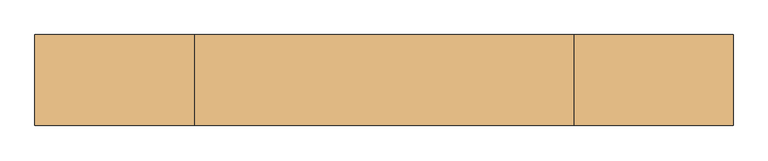
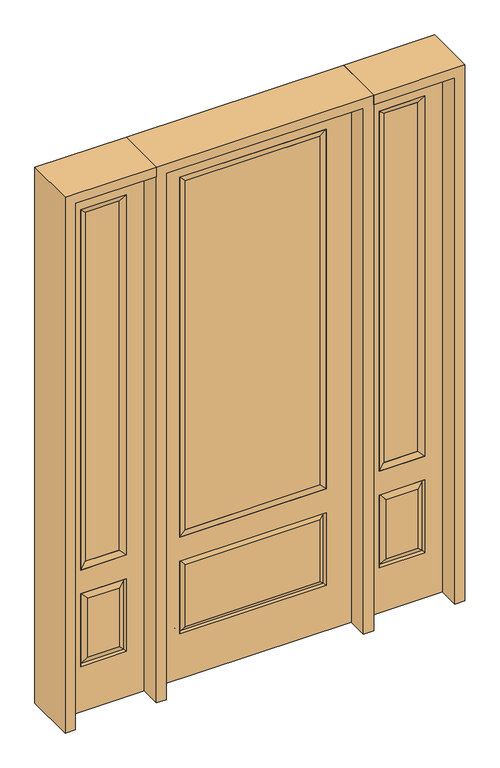
"""IFC4 building model written with IfcOpenShell, lengths in millimetres: door geometry."""

from ifc_helpers import new_model, si_unit, frame, origin, place, context, project, spatial, polyline, outline, extrude, faceted_brep, source, transform, mapped, element, save


def door_022167ce(model_context):
    return source(origin(), model_context, "Body", "SolidModel", [
        faceted_brep([(476.25, -22.225, 0.0), (831.85, -22.225, 0.0), (831.85, -22.225, 2438.4), (476.25, -22.225, 2438.4), (754.38, -22.225, 2325.624), (754.38, -22.225, 657.098), (553.72, -22.225, 657.098), (553.72, -22.225, 2325.624), (754.38, -22.225, 209.55), (553.72, -22.225, 209.55), (553.72, -22.225, 546.1), (754.38, -22.225, 546.1), (585.4351001, -22.225, 241.2651001), (722.6648999, -22.225, 241.2651001), (722.6648999, -22.225, 514.3848999), (585.4351001, -22.225, 514.3848999), (476.25, 22.225, 0.0), (476.25, 22.225, 2438.4), (831.85, 22.225, 2438.4), (831.85, 22.225, 0.0), (754.38, 22.225, 2325.624), (553.72, 22.225, 2325.624), (553.72, 22.225, 657.098), (754.38, 22.225, 657.098), (553.72, 22.225, 209.55), (754.38, 22.225, 209.55), (754.38, 22.225, 546.1), (553.72, 22.225, 546.1), (722.6648999, 22.225, 241.2651001), (585.4351001, 22.225, 241.2651001), (585.4351001, 22.225, 514.3848999), (722.6648999, 22.225, 514.3848999), (747.2711499, 12.7912373, 216.6588501), (560.8288501, 12.7912373, 216.6588501), (560.8288501, 12.7912373, 538.9911499), (747.2711499, 12.7912373, 538.9911499), (560.8288501, -12.7912373, 216.6588501), (747.2711499, -12.7912373, 216.6588501), (560.8288501, -12.7912373, 538.9911499), (747.2711499, -12.7912373, 538.9911499)], [[[0, 1, 2, 3], [4, 5, 6, 7], [8, 9, 10, 11]], [[12, 13, 14, 15]], [[16, 17, 18, 19], [20, 21, 22, 23], [24, 25, 26, 27]], [[28, 29, 30, 31]], [[1, 0, 16, 19]], [[2, 1, 19, 18]], [[3, 2, 18, 17]], [[0, 3, 17, 16]], [[5, 4, 20, 23]], [[6, 5, 23, 22]], [[7, 6, 22, 21]], [[4, 7, 21, 20]], [[32, 33, 29, 28]], [[33, 32, 25, 24]], [[29, 33, 34, 30]], [[33, 24, 27, 34]], [[30, 34, 35, 31]], [[34, 27, 26, 35]], [[32, 28, 31, 35]], [[25, 32, 35, 26]], [[12, 36, 37, 13]], [[37, 36, 9, 8]], [[36, 12, 15, 38]], [[9, 36, 38, 10]], [[38, 15, 14, 39]], [[10, 38, 39, 11]], [[13, 37, 39, 14]], [[37, 8, 11, 39]]]),
        faceted_brep([(553.72, 22.225, 2325.624), (553.72, -22.225, 2325.624), (754.38, -22.225, 2325.624), (754.38, 22.225, 2325.624), (579.12, 12.7, 2300.224), (728.98, 12.7, 2300.224), (579.12, -12.7, 2300.224), (728.98, -12.7, 2300.224), (754.38, -22.225, 657.098), (754.38, 22.225, 657.098), (728.98, 12.7, 682.498), (728.98, -12.7, 682.498), (553.72, -22.225, 657.098), (553.72, 22.225, 657.098), (579.12, 12.7, 682.498), (579.12, -12.7, 682.498)], [[[0, 1, 2, 3]], [[4, 0, 3, 5]], [[6, 4, 5, 7]], [[1, 6, 7, 2]], [[3, 2, 8, 9]], [[5, 3, 9, 10]], [[7, 5, 10, 11]], [[2, 7, 11, 8]], [[9, 8, 12, 13]], [[10, 9, 13, 14]], [[11, 10, 14, 15]], [[8, 11, 15, 12]], [[13, 12, 1, 0]], [[14, 13, 0, 4]], [[15, 14, 4, 6]], [[12, 15, 6, 1]]]),
        extrude(outline(polyline([(728.98, -12.7), (579.12, -12.7), (579.12, 12.7), (728.98, 12.7), (728.98, -12.7)])), frame((0.0, 0.0, 682.498), z_axis=(0.0, 0.0, 1.0), x_axis=(1.0, 0.0, 0.0)), (0.0, 0.0, 1.0), 1617.726),
        faceted_brep([(-831.85, -22.225, 0.0), (-476.25, -22.225, 0.0), (-476.25, -22.225, 2438.4), (-831.85, -22.225, 2438.4), (-553.72, -22.225, 2325.624), (-553.72, -22.225, 657.098), (-754.38, -22.225, 657.098), (-754.38, -22.225, 2325.624), (-553.72, -22.225, 209.55), (-754.38, -22.225, 209.55), (-754.38, -22.225, 546.1), (-553.72, -22.225, 546.1), (-722.6648999, -22.225, 241.2651001), (-585.4351001, -22.225, 241.2651001), (-585.4351001, -22.225, 514.3848999), (-722.6648999, -22.225, 514.3848999), (-831.85, 22.225, 0.0), (-831.85, 22.225, 2438.4), (-476.25, 22.225, 2438.4), (-476.25, 22.225, 0.0), (-553.72, 22.225, 2325.624), (-754.38, 22.225, 2325.624), (-754.38, 22.225, 657.098), (-553.72, 22.225, 657.098), (-754.38, 22.225, 209.55), (-553.72, 22.225, 209.55), (-553.72, 22.225, 546.1), (-754.38, 22.225, 546.1), (-585.4351001, 22.225, 241.2651001), (-722.6648999, 22.225, 241.2651001), (-722.6648999, 22.225, 514.3848999), (-585.4351001, 22.225, 514.3848999), (-560.8288501, 12.7912373, 216.6588501), (-747.2711499, 12.7912373, 216.6588501), (-747.2711499, 12.7912373, 538.9911499), (-560.8288501, 12.7912373, 538.9911499), (-747.2711499, -12.7912373, 216.6588501), (-560.8288501, -12.7912373, 216.6588501), (-747.2711499, -12.7912373, 538.9911499), (-560.8288501, -12.7912373, 538.9911499)], [[[0, 1, 2, 3], [4, 5, 6, 7], [8, 9, 10, 11]], [[12, 13, 14, 15]], [[16, 17, 18, 19], [20, 21, 22, 23], [24, 25, 26, 27]], [[28, 29, 30, 31]], [[1, 0, 16, 19]], [[2, 1, 19, 18]], [[3, 2, 18, 17]], [[0, 3, 17, 16]], [[5, 4, 20, 23]], [[6, 5, 23, 22]], [[7, 6, 22, 21]], [[4, 7, 21, 20]], [[32, 33, 29, 28]], [[33, 32, 25, 24]], [[29, 33, 34, 30]], [[33, 24, 27, 34]], [[30, 34, 35, 31]], [[34, 27, 26, 35]], [[32, 28, 31, 35]], [[25, 32, 35, 26]], [[12, 36, 37, 13]], [[37, 36, 9, 8]], [[36, 12, 15, 38]], [[9, 36, 38, 10]], [[38, 15, 14, 39]], [[10, 38, 39, 11]], [[13, 37, 39, 14]], [[37, 8, 11, 39]]]),
        faceted_brep([(-754.38, 22.225, 2325.624), (-754.38, -22.225, 2325.624), (-553.72, -22.225, 2325.624), (-553.72, 22.225, 2325.624), (-728.98, 12.7, 2300.224), (-579.12, 12.7, 2300.224), (-728.98, -12.7, 2300.224), (-579.12, -12.7, 2300.224), (-553.72, -22.225, 657.098), (-553.72, 22.225, 657.098), (-579.12, 12.7, 682.498), (-579.12, -12.7, 682.498), (-754.38, -22.225, 657.098), (-754.38, 22.225, 657.098), (-728.98, 12.7, 682.498), (-728.98, -12.7, 682.498)], [[[0, 1, 2, 3]], [[4, 0, 3, 5]], [[6, 4, 5, 7]], [[1, 6, 7, 2]], [[3, 2, 8, 9]], [[5, 3, 9, 10]], [[7, 5, 10, 11]], [[2, 7, 11, 8]], [[9, 8, 12, 13]], [[10, 9, 13, 14]], [[11, 10, 14, 15]], [[8, 11, 15, 12]], [[13, 12, 1, 0]], [[14, 13, 0, 4]], [[15, 14, 4, 6]], [[12, 15, 6, 1]]]),
        extrude(outline(polyline([(-579.12, -12.7), (-728.98, -12.7), (-728.98, 12.7), (-579.12, 12.7), (-579.12, -12.7)])), frame((0.0, 0.0, 682.498), z_axis=(0.0, 0.0, 1.0), x_axis=(1.0, 0.0, 0.0)), (0.0, 0.0, 1.0), 1617.726),
        extrude(outline(polyline([(295.275, -20.32), (-295.275, -20.32), (-295.275, 5.08), (295.275, 5.08), (295.275, -20.32)])), frame((0.0, 0.0, 682.498), z_axis=(0.0, 0.0, 1.0), x_axis=(1.0, 0.0, 0.0)), (0.0, 0.0, 1.0), 1616.202),
        faceted_brep([(-313.5661499, -12.7912373, 216.6588501), (313.5661499, -12.7912373, 216.6588501), (296.06875, -22.225, 234.15625), (-296.06875, -22.225, 234.15625), (-320.675, -22.225, 209.55), (320.675, -22.225, 209.55), (-313.5661499, -12.7912373, 538.9911499), (-320.675, -22.225, 546.1), (296.06875, -22.225, 521.49375), (-296.06875, -22.225, 521.49375), (431.8, -22.225, 2438.4), (-431.8, -22.225, 2438.4), (-431.8, -22.225, 0.0), (431.8, -22.225, 0.0), (320.675, -22.225, 546.1), (320.675, -22.225, 2324.1), (320.675, -22.225, 657.098), (-320.675, -22.225, 657.098), (-320.675, -22.225, 2324.1), (313.5661499, -12.7912373, 538.9911499), (-431.8, 22.225, 2438.4), (-431.8, 22.225, 0.0), (431.8, 22.225, 0.0), (431.8, 22.225, 2438.4), (320.675, 22.225, 2324.1), (320.675, 22.225, 657.098), (-320.675, 22.225, 657.098), (-320.675, 22.225, 2324.1), (-320.675, 22.225, 209.55), (320.675, 22.225, 209.55), (320.675, 22.225, 546.1), (-320.675, 22.225, 546.1), (296.06875, 22.225, 234.15625), (-296.06875, 22.225, 234.15625), (-296.06875, 22.225, 521.49375), (296.06875, 22.225, 521.49375), (-313.5661499, 12.7912373, 216.6588501), (313.5661499, 12.7912373, 216.6588501), (313.5661499, 12.7912373, 538.9911499), (-313.5661499, 12.7912373, 538.9911499)], [[[0, 1, 2, 3]], [[1, 0, 4, 5]], [[4, 0, 6, 7]], [[3, 2, 8, 9]], [[10, 11, 12, 13], [5, 4, 7, 14], [15, 16, 17, 18]], [[1, 5, 14, 19]], [[2, 1, 19, 8]], [[0, 3, 9, 6]], [[7, 6, 19, 14]], [[6, 9, 8, 19]], [[12, 11, 20, 21]], [[13, 12, 21, 22]], [[10, 13, 22, 23]], [[16, 15, 24, 25]], [[17, 16, 25, 26]], [[18, 17, 26, 27]], [[23, 22, 21, 20], [28, 29, 30, 31], [24, 27, 26, 25]], [[32, 33, 34, 35]], [[28, 36, 37, 29]], [[29, 37, 38, 30]], [[39, 31, 30, 38]], [[36, 28, 31, 39]], [[37, 36, 33, 32]], [[33, 36, 39, 34]], [[34, 39, 38, 35]], [[37, 32, 35, 38]], [[11, 10, 23, 20]], [[15, 18, 27, 24]]]),
        faceted_brep([(-320.675, -22.225, 2324.1), (-320.675, 22.225, 2324.1), (-320.675, 22.225, 657.098), (-320.675, -22.225, 657.098), (320.675, 22.225, 657.098), (320.675, -22.225, 657.098), (-295.275, 5.08, 682.498), (295.275, 5.08, 682.498), (320.675, 22.225, 2324.1), (320.675, -22.225, 2324.1), (-295.275, -20.32, 682.498), (295.275, -20.32, 682.498), (-295.275, -20.32, 2298.7), (295.275, -20.32, 2298.7), (-295.275, 5.08, 2298.7), (295.275, 5.08, 2298.7)], [[[0, 1, 2, 3]], [[3, 2, 4, 5]], [[2, 6, 7, 4]], [[5, 4, 8, 9]], [[10, 3, 5, 11]], [[12, 0, 3, 10]], [[11, 5, 9, 13]], [[6, 10, 11, 7]], [[14, 12, 10, 6]], [[7, 11, 13, 15]], [[1, 14, 6, 2]], [[4, 7, 15, 8]], [[9, 8, 1, 0]], [[13, 9, 0, 12]], [[15, 13, 12, 14]], [[8, 15, 14, 1]]]),
        extrude(outline(polyline([(2438.4, -476.25), (2482.85, -476.25), (2482.85, -876.3), (0.0, -876.3), (0.0, -831.85), (2438.4, -831.85), (2438.4, -476.25)])), frame((0.0, -114.3, 0.0), z_axis=(0.0, 1.0, 0.0), x_axis=(0.0, 0.0, 1.0)), (0.0, 0.0, 1.0), 228.6),
        extrude(outline(polyline([(2482.85, -476.25), (0.0, -476.25), (0.0, -431.8), (2438.4, -431.8), (2438.4, 431.8), (0.0, 431.8), (0.0, 476.25), (2482.85, 476.25), (2482.85, -476.25)])), frame((0.0, -114.3, 0.0), z_axis=(0.0, 1.0, 0.0), x_axis=(0.0, 0.0, 1.0)), (0.0, 0.0, 1.0), 228.6),
        extrude(outline(polyline([(0.0, 831.85), (0.0, 876.3), (2482.85, 876.3), (2482.85, 476.25), (2438.4, 476.25), (2438.4, 831.85), (0.0, 831.85)])), frame((0.0, -114.3, 0.0), z_axis=(0.0, 1.0, 0.0), x_axis=(0.0, 0.0, 1.0)), (0.0, 0.0, 1.0), 228.6),
    ])


if __name__ == "__main__":
    model = new_model("IFC4")
    model_context = context("Model", 3, world=origin())
    ifc_project = project(units=[si_unit("LENGTHUNIT", "METRE", prefix="MILLI")], contexts=[model_context])
    site = spatial("IfcSite", under=ifc_project)
    building = spatial("IfcBuilding", under=site)
    placement = place(None, origin())
    door_shape = door_022167ce(model_context)
    element("IfcDoor", 1, at=placement, inside=building, context=model_context, shape_type="MappedRepresentation", body=[
        mapped(door_shape, transform((0.0, 0.0, 0.0), x_axis=(1.0, 0.0, 0.0), y_axis=(0.0, 1.0, 0.0), z_axis=(0.0, 0.0, 1.0))),
    ])
    save(model, "model.ifc")
